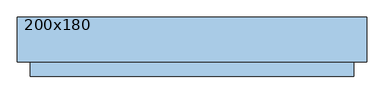
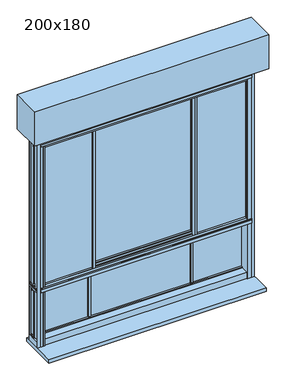
"""IFC4 building model written with IfcOpenShell, lengths in millimetres: window geometry, 200x180."""

from ifc_helpers import new_model, si_unit, frame, origin, place, context, project, spatial, polyline, outline, extrude, faceted_brep, source, transform, mapped, element, save


def window_200x180_d10d0896(model_context):
    return source(origin(), model_context, "Body", "SolidModel", [
        extrude(outline(polyline([(1871.5, 840.7), (1775.5, 840.7), (1775.5, 866.7), (1871.5, 866.7), (1871.5, 840.7)]), holes=[polyline([(1778.5, 863.7), (1778.5, 843.7), (1868.5, 843.7), (1868.5, 863.7), (1778.5, 863.7)])]), frame((0.0, 32.25, 0.0), z_axis=(0.0, 1.0, 0.0), x_axis=(0.0, 0.0, 1.0)), (0.0, 0.0, 1.0), 10.0),
        extrude(outline(polyline([(1871.5, -788.3), (1871.5, -814.3), (1775.5, -814.3), (1775.5, -788.3), (1871.5, -788.3)]), holes=[polyline([(1778.5, -811.3), (1868.5, -811.3), (1868.5, -791.3), (1778.5, -791.3), (1778.5, -811.3)])]), frame((0.0, 32.65, 0.0), z_axis=(0.0, 1.0, 0.0), x_axis=(0.0, 0.0, 1.0)), (0.0, 0.0, 1.0), 10.0),
        extrude(outline(polyline([(996.2, -93.75), (-943.8, -93.75), (-943.8, 156.25), (996.2, 156.25), (996.2, -93.75)])), frame((0.0, 0.0, 2523.5), z_axis=(0.0, 0.0, 1.0), x_axis=(1.0, 0.0, 0.0)), (0.0, 0.0, 1.0), 300.0),
        extrude(outline(polyline([(-396.8, 87.45), (-388.3, 87.45), (-388.3, 81.05), (-408.3, 81.05), (-408.3, 87.45), (-399.8, 87.45), (-399.8, 96.25), (-396.8, 96.25), (-396.8, 87.45)])), frame((0.0, 0.0, 729.0), z_axis=(0.0, 0.0, 1.0), x_axis=(1.0, 0.0, 0.0)), (0.0, 0.0, 1.0), 444.5),
        extrude(outline(polyline([(-408.3, 69.05), (-408.3, 75.05), (-388.3, 75.05), (-388.3, 69.05), (-408.3, 69.05)])), frame((0.0, 0.0, 729.0), z_axis=(0.0, 0.0, 1.0), x_axis=(1.0, 0.0, 0.0)), (0.0, 0.0, 1.0), 444.5),
        extrude(outline(polyline([(449.2, 87.45), (449.2, 96.25), (452.2, 96.25), (452.2, 87.45), (460.7, 87.45), (460.7, 81.05), (440.7, 81.05), (440.7, 87.45), (449.2, 87.45)])), frame((0.0, 0.0, 729.0), z_axis=(0.0, 0.0, 1.0), x_axis=(1.0, 0.0, 0.0)), (0.0, 0.0, 1.0), 444.5),
        extrude(outline(polyline([(460.7, 69.05), (440.7, 69.05), (440.7, 75.05), (460.7, 75.05), (460.7, 69.05)])), frame((0.0, 0.0, 729.0), z_axis=(0.0, 0.0, 1.0), x_axis=(1.0, 0.0, 0.0)), (0.0, 0.0, 1.0), 444.5),
        extrude(outline(polyline([(-823.7, 20.25), (-823.7, 26.25), (-397.3, 26.25), (-397.3, 20.25), (-823.7, 20.25)])), frame((0.0, 0.0, 1194.65), z_axis=(0.0, 0.0, 1.0), x_axis=(1.0, 0.0, 0.0)), (0.0, 0.0, 1.0), 1228.75),
        extrude(outline(polyline([(876.1, 20.25), (450.7, 20.25), (450.7, 26.25), (876.1, 26.25), (876.1, 20.25)])), frame((0.0, 0.0, 1194.65), z_axis=(0.0, 0.0, 1.0), x_axis=(1.0, 0.0, 0.0)), (0.0, 0.0, 1.0), 1228.75),
        extrude(outline(polyline([(450.7, 75.05), (-398.3, 75.05), (-398.3, 81.05), (450.7, 81.05), (450.7, 75.05)])), frame((0.0, 0.0, 1194.65), z_axis=(0.0, 0.0, 1.0), x_axis=(1.0, 0.0, 0.0)), (0.0, 0.0, 1.0), 1228.75),
        faceted_brep([(-389.3, 2.65, 1173.5), (-407.3, 2.65, 1173.5), (-407.3, 14.25, 1173.5), (-397.0748111, 14.25, 1173.5), (-397.0748111, 32.25, 1173.5), (-407.3, 32.25, 1173.5), (-407.3, 43.85, 1173.5), (-393.1031371, 43.85, 1173.5), (-393.1031371, 50.1440374, 1173.5), (-396.4081362, 50.1440374, 1173.5), (-400.6157826, 51.5636227, 1173.5), (-400.6157826, 53.95, 1173.5), (-391.3266098, 53.95, 1173.5), (-391.3266098, 43.85, 1173.5), (-389.3, 43.85, 1173.5), (-389.3, 2.65, 2443.9), (-389.3, 43.85, 2443.9), (-391.3266098, 43.85, 2443.9), (-391.3266098, 53.95, 2443.9), (-400.6157826, 53.95, 2443.9), (-400.6157826, 51.5636227, 2443.9), (-396.4081362, 50.1440374, 2443.9), (-393.1031371, 50.1440374, 2443.9), (-393.1031371, 43.85, 2443.9), (-407.3, 43.85, 2443.9), (-407.3, 33.8999999, 2443.9), (-844.2, 33.8999999, 2443.9), (-844.2, 12.6000001, 2443.9), (-407.3, 12.6000001, 2443.9), (-407.3, 2.65, 2443.9), (-397.0748111, 14.25, 2443.9), (-398.3, 14.25, 2443.9), (-398.3, 32.25, 2443.9), (-397.0748111, 32.25, 2443.9), (-407.3, 2.65, 2431.9), (-832.2, 2.65, 2431.9), (-832.2, 2.65, 1185.9300791), (-407.3, 2.65, 1185.9300791), (-814.3, 2.65, 2414.0), (-407.3, 2.65, 2414.0), (-407.3, 2.65, 1203.8300791), (-814.3, 2.65, 1203.8300791), (-407.3, 6.95, 1185.9300791), (-407.3, 6.95, 1183.7300791), (-407.3, 12.6000001, 1183.7300791), (-407.3, 12.6000001, 1173.9300791), (-407.3, 14.25, 1173.9300791), (-407.3, 12.6000001, 2434.1), (-407.3, 6.95, 2434.1), (-407.3, 6.95, 2431.9), (-407.3, 14.25, 2414.0), (-407.3, 14.25, 1203.8300791), (-398.3, 14.25, 1173.9300791), (-398.3, 14.25, 1203.8300791), (-398.3, 14.25, 2414.0), (-398.3, 32.25, 2414.0), (-407.3, 32.25, 2414.0), (-407.3, 32.25, 1203.8300791), (-398.3, 32.25, 1203.8300791), (-398.3, 32.25, 1173.9300791), (-407.3, 32.25, 1173.9300791), (-407.3, 33.8999999, 1173.9300791), (-407.3, 33.8999999, 1183.7300791), (-407.3, 39.55, 1183.7300791), (-407.3, 39.55, 1185.9300791), (-407.3, 43.85, 1185.9300791), (-407.3, 43.85, 2431.9), (-407.3, 39.55, 2431.9), (-407.3, 39.55, 2434.1), (-407.3, 33.8999999, 2434.1), (-407.3, 43.85, 2414.0), (-407.3, 43.85, 1203.8300791), (-398.3, 20.25, 1203.8300791), (-398.3, 26.25, 1203.8300791), (-398.3, 26.25, 1194.4300791), (-398.3, 20.25, 1194.4300791), (-814.3, 20.25, 1203.8300791), (-823.7, 20.25, 1194.4300791), (-823.7, 20.25, 2423.4), (-398.3, 20.25, 2423.4), (-398.3, 20.25, 2414.0), (-814.3, 20.25, 2414.0), (-823.7, 26.25, 1194.4300791), (-814.3, 26.25, 1203.8300791), (-814.3, 26.25, 2414.0), (-398.3, 26.25, 2414.0), (-398.3, 26.25, 2423.4), (-823.7, 26.25, 2423.4), (-814.3, 43.85, 1203.8300791), (-832.2, 43.85, 1185.9300791), (-832.2, 39.55, 1185.9300791), (-834.4, 39.55, 1183.7300791), (-834.4, 39.55, 2434.1), (-832.2, 39.55, 2431.9), (-834.4, 33.8999999, 1183.7300791), (-844.2, 33.8999999, 1173.9300791), (-834.4, 33.8999999, 2434.1), (-844.2, 12.6000001, 1173.9300791), (-834.4, 12.6000001, 1183.7300791), (-834.4, 12.6000001, 2434.1), (-834.4, 6.95, 1183.7300791), (-832.2, 6.95, 1185.9300791), (-832.2, 6.95, 2431.9), (-834.4, 6.95, 2434.1), (-814.3, 43.85, 2414.0), (-832.2, 43.85, 2431.9)], [[[0, 1, 2, 3, 4, 5, 6, 7, 8, 9, 10, 11, 12, 13, 14]], [[15, 16, 17, 18, 19, 20, 21, 22, 23, 24, 25, 26, 27, 28, 29], [30, 31, 32, 33]], [[0, 15, 29, 34, 35, 36, 37, 1], [38, 39, 40, 41]], [[1, 37, 42, 43, 44, 45, 46, 2]], [[28, 47, 48, 49, 34, 29]], [[39, 50, 51, 40]], [[2, 46, 52, 53, 51, 50, 54, 31, 30, 3]], [[3, 30, 33, 4]], [[4, 33, 32, 55, 56, 57, 58, 59, 60, 5]], [[5, 60, 61, 62, 63, 64, 65, 6]], [[24, 66, 67, 68, 69, 25]], [[56, 70, 71, 57]], [[13, 17, 16, 14]], [[72, 53, 52, 59, 58, 73, 74, 75]], [[41, 40, 51, 53, 72, 76]], [[75, 77, 78, 79, 80, 81, 76, 72]], [[74, 82, 77, 75]], [[73, 83, 84, 85, 86, 87, 82, 74]], [[73, 58, 57, 71, 88, 83]], [[89, 65, 64, 90]], [[90, 64, 63, 91, 92, 68, 67, 93]], [[91, 63, 62, 94]], [[94, 62, 61, 95, 26, 25, 69, 96]], [[95, 61, 60, 59, 52, 46, 45, 97]], [[97, 45, 44, 98, 99, 47, 28, 27]], [[98, 44, 43, 100]], [[100, 43, 42, 101, 102, 49, 48, 103]], [[101, 42, 37, 36]], [[41, 76, 81, 38]], [[77, 82, 87, 78]], [[83, 88, 104, 84]], [[89, 90, 93, 105]], [[91, 94, 96, 92]], [[95, 97, 27, 26]], [[98, 100, 103, 99]], [[35, 102, 101, 36]], [[79, 86, 85, 55, 32, 31, 54, 80]], [[80, 54, 50, 39, 38, 81]], [[78, 87, 86, 79]], [[84, 104, 70, 56, 55, 85]], [[93, 67, 66, 105]], [[96, 69, 68, 92]], [[103, 48, 47, 99]], [[35, 34, 49, 102]], [[14, 16, 15, 0]], [[12, 18, 17, 13]], [[11, 19, 18, 12]], [[10, 20, 19, 11]], [[9, 21, 20, 10]], [[8, 22, 21, 9]], [[7, 23, 22, 8]], [[6, 65, 89, 105, 66, 24, 23, 7], [88, 71, 70, 104]]]),
        faceted_brep([(-407.3, 98.65, 1173.5), (-389.3, 98.65, 1173.5), (-389.3, 87.05, 1173.5), (-399.6733902, 87.05, 1173.5), (-399.6733902, 69.05, 1173.5), (-389.3, 69.05, 1173.5), (-389.3, 57.45, 1173.5), (-403.5817343, 57.45, 1173.5), (-403.5817343, 51.1559626, 1173.5), (-400.1918638, 51.1559626, 1173.5), (-395.9842174, 49.7071538, 1173.5), (-395.9842174, 47.35, 1173.5), (-405.3582616, 47.35, 1173.5), (-405.3582616, 57.45, 1173.5), (-407.3, 57.45, 1173.5), (-407.3, 98.65, 2443.9), (-407.3, 57.45, 2443.9), (-405.3582616, 57.45, 2443.9), (-405.3582616, 47.35, 2443.9), (-395.9842174, 47.35, 2443.9), (-395.9842174, 49.7071538, 2443.9), (-400.1918638, 51.1559626, 2443.9), (-403.5817343, 51.1559626, 2443.9), (-403.5817343, 57.45, 2443.9), (-389.3, 57.45, 2443.9), (-389.3, 69.05, 2443.9), (-399.6733902, 69.05, 2443.9), (-399.6733902, 87.05, 2443.9), (-389.3, 87.05, 2443.9), (-389.3, 98.65, 2443.9)], [[[0, 1, 2, 3, 4, 5, 6, 7, 8, 9, 10, 11, 12, 13, 14]], [[15, 16, 17, 18, 19, 20, 21, 22, 23, 24, 25, 26, 27, 28, 29]], [[0, 15, 29, 1]], [[1, 29, 28, 2]], [[2, 28, 27, 3]], [[3, 27, 26, 4]], [[4, 26, 25, 5]], [[7, 23, 22, 8]], [[8, 22, 21, 9]], [[9, 21, 20, 10]], [[10, 20, 19, 11]], [[11, 19, 18, 12]], [[12, 18, 17, 13]], [[13, 17, 16, 14]], [[14, 16, 15, 0]], [[6, 24, 23, 7]], [[5, 25, 24, 6]]]),
        faceted_brep([(441.7, 2.65, 1173.5), (441.7, 43.85, 1173.5), (443.7266098, 43.85, 1173.5), (443.7266098, 53.95, 1173.5), (453.0157826, 53.95, 1173.5), (453.0157826, 51.5636227, 1173.5), (448.8081362, 50.1440374, 1173.5), (445.5031371, 50.1440374, 1173.5), (445.5031371, 43.85, 1173.5), (459.7, 43.85, 1173.5), (459.7, 32.25, 1173.5), (449.4748111, 32.25, 1173.5), (449.4748111, 14.25, 1173.5), (459.7, 14.25, 1173.5), (459.7, 2.65, 1173.5), (441.7, 2.65, 2443.9), (459.7, 2.65, 2443.9), (459.7, 12.6000001, 2443.9), (896.6, 12.6000001, 2443.9), (896.6, 33.8999999, 2443.9), (459.7, 33.8999999, 2443.9), (459.7, 43.85, 2443.9), (445.5031371, 43.85, 2443.9), (445.5031371, 50.1440374, 2443.9), (448.8081362, 50.1440374, 2443.9), (453.0157826, 51.5636227, 2443.9), (453.0157826, 53.95, 2443.9), (443.7266098, 53.95, 2443.9), (443.7266098, 43.85, 2443.9), (441.7, 43.85, 2443.9), (449.4748111, 14.25, 2443.9), (449.4748111, 32.25, 2443.9), (450.7, 32.25, 2443.9), (450.7, 14.25, 2443.9), (450.7, 26.25, 1203.8300791), (450.7, 32.25, 1203.8300791), (450.7, 32.25, 1173.9300791), (450.7, 14.25, 1173.9300791), (450.7, 14.25, 1203.8300791), (450.7, 20.25, 1203.8300791), (450.7, 20.25, 1194.4300791), (450.7, 26.25, 1194.4300791), (450.7, 20.25, 2414.0), (450.7, 14.25, 2414.0), (450.7, 32.25, 2414.0), (450.7, 26.25, 2414.0), (450.7, 26.25, 2423.4), (450.7, 20.25, 2423.4), (866.7, 43.85, 1203.8300791), (459.7, 43.85, 1203.8300791), (459.7, 32.25, 1203.8300791), (866.7, 26.25, 1203.8300791), (876.1, 26.25, 1194.4300791), (876.1, 26.25, 2423.4), (866.7, 26.25, 2414.0), (876.1, 20.25, 1194.4300791), (866.7, 20.25, 1203.8300791), (866.7, 20.25, 2414.0), (876.1, 20.25, 2423.4), (459.7, 14.25, 1203.8300791), (459.7, 2.65, 1203.8300791), (866.7, 2.65, 1203.8300791), (884.6, 2.65, 1185.9300791), (459.7, 2.65, 1185.9300791), (459.7, 6.95, 1185.9300791), (884.6, 6.95, 1185.9300791), (459.7, 6.95, 1183.7300791), (886.8, 6.95, 1183.7300791), (886.8, 6.95, 2434.1), (459.7, 6.95, 2434.1), (459.7, 6.95, 2431.9), (884.6, 6.95, 2431.9), (459.7, 12.6000001, 1183.7300791), (886.8, 12.6000001, 1183.7300791), (459.7, 12.6000001, 1173.9300791), (896.6, 12.6000001, 1173.9300791), (459.7, 12.6000001, 2434.1), (886.8, 12.6000001, 2434.1), (459.7, 14.25, 1173.9300791), (459.7, 32.25, 1173.9300791), (459.7, 33.8999999, 1173.9300791), (896.6, 33.8999999, 1173.9300791), (459.7, 33.8999999, 1183.7300791), (886.8, 33.8999999, 1183.7300791), (886.8, 33.8999999, 2434.1), (459.7, 33.8999999, 2434.1), (459.7, 39.55, 1183.7300791), (886.8, 39.55, 1183.7300791), (459.7, 39.55, 1185.9300791), (884.6, 39.55, 1185.9300791), (884.6, 39.55, 2431.9), (459.7, 39.55, 2431.9), (459.7, 39.55, 2434.1), (886.8, 39.55, 2434.1), (459.7, 43.85, 1185.9300791), (884.6, 43.85, 1185.9300791), (866.7, 43.85, 2414.0), (866.7, 2.65, 2414.0), (884.6, 2.65, 2431.9), (884.6, 43.85, 2431.9), (459.7, 32.25, 2414.0), (459.7, 43.85, 2414.0), (459.7, 2.65, 2414.0), (459.7, 14.25, 2414.0), (459.7, 2.65, 2431.9), (459.7, 43.85, 2431.9)], [[[0, 1, 2, 3, 4, 5, 6, 7, 8, 9, 10, 11, 12, 13, 14]], [[15, 16, 17, 18, 19, 20, 21, 22, 23, 24, 25, 26, 27, 28, 29], [30, 31, 32, 33]], [[34, 35, 36, 37, 38, 39, 40, 41]], [[42, 43, 33, 32, 44, 45, 46, 47]], [[48, 49, 50, 35, 34, 51]], [[41, 52, 53, 46, 45, 54, 51, 34]], [[40, 55, 52, 41]], [[39, 56, 57, 42, 47, 58, 55, 40]], [[39, 38, 59, 60, 61, 56]], [[62, 63, 64, 65]], [[65, 64, 66, 67, 68, 69, 70, 71]], [[67, 66, 72, 73]], [[73, 72, 74, 75, 18, 17, 76, 77]], [[75, 74, 78, 37, 36, 79, 80, 81]], [[81, 80, 82, 83, 84, 85, 20, 19]], [[83, 82, 86, 87]], [[87, 86, 88, 89, 90, 91, 92, 93]], [[89, 88, 94, 95]], [[48, 51, 54, 96]], [[52, 55, 58, 53]], [[56, 61, 97, 57]], [[62, 65, 71, 98]], [[67, 73, 77, 68]], [[75, 81, 19, 18]], [[83, 87, 93, 84]], [[99, 90, 89, 95]], [[45, 44, 100, 101, 96, 54]], [[46, 53, 58, 47]], [[57, 97, 102, 103, 43, 42]], [[71, 70, 104, 98]], [[77, 76, 69, 68]], [[93, 92, 85, 84]], [[99, 105, 91, 90]], [[14, 63, 62, 98, 104, 16, 15, 0], [102, 97, 61, 60]], [[60, 59, 103, 102]], [[16, 104, 70, 69, 76, 17]], [[13, 78, 74, 72, 66, 64, 63, 14]], [[12, 30, 33, 43, 103, 59, 38, 37, 78, 13]], [[11, 31, 30, 12]], [[10, 79, 36, 35, 50, 100, 44, 32, 31, 11]], [[50, 49, 101, 100]], [[20, 85, 92, 91, 105, 21]], [[9, 94, 88, 86, 82, 80, 79, 10]], [[8, 22, 21, 105, 99, 95, 94, 9], [49, 48, 96, 101]], [[7, 23, 22, 8]], [[6, 24, 23, 7]], [[5, 25, 24, 6]], [[4, 26, 25, 5]], [[3, 27, 26, 4]], [[2, 28, 27, 3]], [[1, 29, 28, 2]], [[0, 15, 29, 1]]]),
        faceted_brep([(459.7, 98.65, 1173.5), (459.7, 57.45, 1173.5), (457.7582616, 57.45, 1173.5), (457.7582616, 47.35, 1173.5), (448.3842174, 47.35, 1173.5), (448.3842174, 49.7071538, 1173.5), (452.5918638, 51.1559626, 1173.5), (455.9817343, 51.1559626, 1173.5), (455.9817343, 57.45, 1173.5), (441.7, 57.45, 1173.5), (441.7, 69.05, 1173.5), (452.0733902, 69.05, 1173.5), (452.0733902, 87.05, 1173.5), (441.7, 87.05, 1173.5), (441.7, 98.65, 1173.5), (459.7, 98.65, 2443.9), (441.7, 98.65, 2443.9), (441.7, 87.05, 2443.9), (452.0733902, 87.05, 2443.9), (452.0733902, 69.05, 2443.9), (441.7, 69.05, 2443.9), (441.7, 57.45, 2443.9), (455.9817343, 57.45, 2443.9), (455.9817343, 51.1559626, 2443.9), (452.5918638, 51.1559626, 2443.9), (448.3842174, 49.7071538, 2443.9), (448.3842174, 47.35, 2443.9), (457.7582616, 47.35, 2443.9), (457.7582616, 57.45, 2443.9), (459.7, 57.45, 2443.9)], [[[0, 1, 2, 3, 4, 5, 6, 7, 8, 9, 10, 11, 12, 13, 14]], [[15, 16, 17, 18, 19, 20, 21, 22, 23, 24, 25, 26, 27, 28, 29]], [[14, 16, 15, 0]], [[13, 17, 16, 14]], [[12, 18, 17, 13]], [[11, 19, 18, 12]], [[10, 20, 19, 11]], [[9, 21, 20, 10]], [[8, 22, 21, 9]], [[7, 23, 22, 8]], [[6, 24, 23, 7]], [[5, 25, 24, 6]], [[4, 26, 25, 5]], [[3, 27, 26, 4]], [[2, 28, 27, 3]], [[1, 29, 28, 2]], [[0, 15, 29, 1]]]),
        extrude(outline(polyline([(-19.55, 2456.5), (-4.95, 2456.5), (-4.95, 2455.0), (-17.55, 2455.0), (-17.55, 2437.5), (-19.55, 2437.5), (-19.55, 2456.5)])), frame((-846.45, 0.0, 0.0), z_axis=(1.0, 0.0, 0.0), x_axis=(0.0, 1.0, 0.0)), (0.0, 0.0, 1.0), 1745.3),
        extrude(outline(polyline([(-19.55, 1160.0), (-19.55, 1186.0), (-16.65, 1186.0), (-16.05, 1186.6), (-19.55, 1186.6), (-19.55, 1197.7), (-17.55, 1197.7), (-17.55, 1188.1), (-13.95, 1188.1), (-13.95, 1185.7), (-4.95, 1185.7), (-4.95, 1181.2), (-18.35, 1181.2), (-18.35, 1160.0), (-19.55, 1160.0)])), frame((-846.45, 0.0, 0.0), z_axis=(1.0, 0.0, 0.0), x_axis=(0.0, 1.0, 0.0)), (0.0, 0.0, 1.0), 1745.3),
        extrude(outline(polyline([(57.45, 2431.9), (61.75, 2431.9), (61.75, 2434.1), (67.4000001, 2434.1), (67.4000001, 2443.9), (88.6999999, 2443.9), (88.6999999, 2434.1), (94.35, 2434.1), (94.35, 2431.9), (98.65, 2431.9), (98.65, 2414.0), (81.05, 2414.0), (81.05, 2423.4), (75.05, 2423.4), (75.05, 2414.0), (57.45, 2414.0), (57.45, 2431.9)])), frame((-398.3, 0.0, 0.0), z_axis=(1.0, 0.0, 0.0), x_axis=(0.0, 1.0, 0.0)), (0.0, 0.0, 1.0), 849.0),
        extrude(outline(polyline([(57.45, 1186.15), (57.45, 1204.05), (75.05, 1204.05), (75.05, 1194.65), (81.05, 1194.65), (81.05, 1204.05), (98.65, 1204.05), (98.65, 1186.15), (94.35, 1186.15), (94.35, 1183.95), (88.6999999, 1183.95), (88.6999999, 1174.15), (67.4000001, 1174.15), (67.4000001, 1183.95), (61.75, 1183.95), (61.75, 1186.15), (57.45, 1186.15)])), frame((-398.3, 0.0, 0.0), z_axis=(1.0, 0.0, 0.0), x_axis=(0.0, 1.0, 0.0)), (0.0, 0.0, 1.0), 849.0),
        extrude(outline(polyline([(926.2, -173.75), (-873.8, -173.75), (-873.8, 143.25), (926.2, 143.25), (926.2, -173.75)])), frame((0.0, 0.0, 643.5), z_axis=(0.0, 0.0, 1.0), x_axis=(1.0, 0.0, 0.0)), (0.0, 0.0, 1.0), 30.0),
        faceted_brep([(865.85, 106.25, 729.0), (865.85, 106.25, 2412.0), (865.85, 126.4, 2412.0), (865.85, 126.4, 729.0), (916.5502862, 110.5, 678.2997138), (916.5502862, 110.5, 2462.7002862), (916.5502862, 106.25, 2462.7002862), (916.5502862, 106.25, 678.2997138), (921.35, 114.1, 673.5), (921.35, 114.1, 2467.5), (921.35, 110.5, 2467.5), (921.35, 110.5, 673.5), (886.35, 117.0431112, 708.5), (886.35, 117.0431112, 2432.5), (886.35, 114.1, 2432.5), (886.35, 114.1, 708.5), (886.95, 117.9, 707.9), (886.95, 117.9, 2433.1), (886.95, 126.4, 707.9), (886.95, 126.4, 2433.1), (-813.45, 106.25, 2412.0), (-813.45, 126.4, 2412.0), (-864.1502862, 110.5, 2462.7002862), (-864.1502862, 106.25, 2462.7002862), (-868.95, 114.1, 2467.5), (-868.95, 110.5, 2467.5), (-833.95, 117.0431112, 2432.5), (-833.95, 114.1, 2432.5), (-834.55, 117.9, 2433.1), (-834.55, 126.4, 2433.1), (-813.45, 106.25, 729.0), (-813.45, 126.4, 729.0), (-864.1502862, 110.5, 678.2997138), (-864.1502862, 106.25, 678.2997138), (-868.95, 114.1, 673.5), (-868.95, 110.5, 673.5), (-833.95, 117.0431112, 708.5), (-833.95, 114.1, 708.5), (-834.55, 117.9, 707.9), (-834.55, 126.4, 707.9)], [[[0, 1, 2, 3]], [[4, 5, 6, 7]], [[8, 9, 10, 11]], [[12, 13, 14, 15]], [[16, 17, 13, 12]], [[18, 19, 17, 16]], [[1, 20, 21, 2]], [[5, 22, 23, 6]], [[9, 24, 25, 10]], [[13, 26, 27, 14]], [[17, 28, 26, 13]], [[19, 29, 28, 17]], [[20, 30, 31, 21]], [[22, 32, 33, 23]], [[24, 34, 35, 25]], [[26, 36, 37, 27]], [[28, 38, 36, 26]], [[29, 39, 38, 28]], [[19, 18, 39, 29], [3, 2, 21, 31]], [[30, 0, 3, 31]], [[7, 6, 23, 33], [1, 0, 30, 20]], [[32, 4, 7, 33]], [[11, 10, 25, 35], [5, 4, 32, 22]], [[34, 8, 11, 35]], [[9, 8, 34, 24], [15, 14, 27, 37]], [[36, 12, 15, 37]], [[38, 16, 12, 36]], [[39, 18, 16, 38]]]),
        faceted_brep([(913.35, -5.3, 2473.5), (913.35, -5.3, 673.5), (877.05, -5.3, 673.5), (877.05, -5.3, 2473.5), (877.05, 49.9, 2455.0), (877.05, 47.35, 2455.0), (877.05, 47.35, 2424.7), (877.05, 49.9, 2424.7), (877.05, 49.9, 2412.0), (877.05, 47.35, 2412.0), (877.05, 47.35, 1206.05), (877.05, 49.9, 1206.05), (877.05, -0.85, 2455.0), (877.05, -3.45, 2455.0), (877.05, -3.45, 2426.5), (877.05, -0.85, 2426.5), (877.05, 29.65, 673.5), (877.05, 29.65, 677.75), (877.05, -4.95, 677.75), (877.05, -4.95, 728.8026988), (877.05, 49.9, 728.8026988), (877.05, 49.9, 1150.55), (877.05, -4.95, 1150.55), (877.05, -4.95, 1206.05), (877.05, -0.85, 1206.05), (877.05, -0.85, 2412.0), (877.05, -4.95, 2412.0), (877.05, -4.95, 2473.5), (877.05, 4.3, 1173.5), (877.05, 4.3, 1169.65), (877.05, 21.0, 1169.65), (877.05, 21.0, 1173.5), (877.05, 25.5, 1173.5), (877.05, 25.5, 1169.65), (877.05, 42.2, 1169.65), (877.05, 42.2, 1173.5), (-873.8, 108.1, 2473.5), (-873.8, -6.8, 2473.5), (-846.5952323, -6.8, 2473.5), (-813.45, -6.8, 2473.5), (-813.45, -4.95, 2473.5), (865.85, -4.95, 2473.5), (865.85, -6.8, 2473.5), (898.9952323, -6.8, 2473.5), (926.2, -6.8, 2473.5), (926.2, 108.1, 2473.5), (865.85, 108.1, 2473.5), (865.85, 106.25, 2473.5), (-813.45, 106.25, 2473.5), (-813.45, 108.1, 2473.5), (913.35, -4.95, 2473.5), (-860.95, -5.3, 2473.5), (-860.95, -4.95, 2473.5), (-824.65, -4.95, 2473.5), (-824.65, -5.3, 2473.5), (913.35, -4.95, 2412.0), (-860.95, -4.95, 2412.0), (-824.65, -4.95, 2412.0), (-813.45, -4.95, 2412.0), (865.85, -4.95, 2412.0), (913.35, -0.85, 2412.0), (865.85, -0.85, 2412.0), (-813.45, -0.85, 2412.0), (-860.95, -0.85, 2412.0), (-824.65, -0.85, 2412.0), (913.35, -0.85, 1206.05), (913.35, -0.85, 1188.85), (-860.95, -0.85, 1188.85), (-860.95, -0.85, 1206.05), (-824.65, -0.85, 1206.05), (-860.95, -0.85, 2426.5), (-824.65, -0.85, 2426.5), (-824.65, -0.85, 2455.0), (-813.45, -0.85, 2455.0), (-813.45, -0.85, 2426.5), (865.85, -0.85, 2426.5), (865.85, -0.85, 2455.0), (913.35, -0.85, 2426.5), (-813.45, -0.85, 1206.05), (865.85, -0.85, 1206.05), (913.35, 49.9, 2424.7), (913.35, 49.9, 2455.0), (913.35, 49.9, 1206.05), (913.35, 49.9, 2412.0), (913.35, 49.9, 728.8026988), (913.35, 49.9, 1150.55), (-873.8, 47.35, 2424.7), (-862.75, 47.35, 2424.7), (-862.75, 49.9, 2424.7), (-873.8, 49.9, 2424.7), (865.85, 47.35, 2424.7), (865.85, 49.9, 2424.7), (-813.45, 49.9, 2424.7), (-813.45, 47.35, 2424.7), (-824.65, 47.35, 2424.7), (-824.65, 49.9, 2424.7), (-860.95, 49.9, 2424.7), (-860.95, 47.35, 2424.7), (913.35, 47.35, 2424.7), (915.15, 49.9, 2424.7), (915.15, 47.35, 2424.7), (926.2, 47.35, 2424.7), (926.2, 49.9, 2424.7), (915.15, 47.35, 2412.0), (926.2, 47.35, 2412.0), (-873.8, 47.35, 2412.0), (-862.75, 47.35, 2412.0), (926.2, 47.35, 1206.05), (915.15, 47.35, 1206.05), (915.15, 47.35, 1188.85), (926.2, 47.35, 1188.85), (-873.8, 47.35, 1188.85), (-862.75, 47.35, 1188.85), (-862.75, 47.35, 1206.05), (-873.8, 47.35, 1206.05), (-860.95, 47.35, 1188.85), (913.35, 47.35, 1188.85), (913.35, 47.35, 1206.05), (913.35, 47.35, 2412.0), (865.85, 47.35, 2455.0), (-813.45, 47.35, 2455.0), (-824.65, 47.35, 2455.0), (-860.95, 47.35, 2412.0), (-824.65, 47.35, 2412.0), (-824.65, 47.35, 1206.05), (-860.95, 47.35, 1206.05), (-813.45, 47.35, 1206.05), (-813.45, 47.35, 2412.0), (865.85, 47.35, 2412.0), (865.85, 47.35, 1206.05), (865.85, 49.9, 2455.0), (913.35, 22.7303848, 2455.0), (913.35, -3.45, 2455.0), (865.85, -3.45, 2455.0), (-813.45, -3.45, 2455.0), (-824.65, -3.45, 2455.0), (-860.95, -3.45, 2455.0), (-860.95, 22.7303848, 2455.0), (-860.95, 49.9, 2455.0), (-824.65, 49.9, 2455.0), (-813.45, 49.9, 2455.0), (-862.75, 49.9, 2455.0), (-862.75, -0.5850342, 2455.0), (-873.8, -0.5850342, 2455.0), (-873.8, 49.9, 2455.0), (926.2, 49.9, 2455.0), (926.2, -0.5850342, 2455.0), (915.15, -0.5850342, 2455.0), (915.15, 49.9, 2455.0), (915.15, 49.9, 2412.0), (921.428222, 49.9, 2412.0), (921.428222, 51.425037, 2412.0), (915.15, 51.425037, 2412.0), (915.15, 53.95, 2412.0), (926.2, 53.95, 2412.0), (-873.8, 53.95, 2412.0), (-862.75, 53.95, 2412.0), (-862.75, 51.425037, 2412.0), (-869.028222, 51.425037, 2412.0), (-869.028222, 49.9, 2412.0), (-862.75, 49.9, 2412.0), (-813.45, 53.95, 2412.0), (865.85, 53.95, 2412.0), (-860.95, 49.9, 2412.0), (-824.65, 49.9, 2412.0), (-813.45, -3.45, 2426.5), (865.85, -3.45, 2426.5), (-824.65, -3.45, 2426.5), (-860.95, -3.45, 2426.5), (913.35, -3.45, 2426.5), (926.2, 108.1, 673.5), (865.85, 108.1, 673.5), (865.85, 106.25, 673.5), (865.85, 106.25, 728.8026988), (865.85, 90.05, 728.8026988), (865.85, 90.05, 738.4026988), (865.85, 81.05, 738.4026988), (865.85, 81.05, 729.8026988), (865.85, 75.05, 729.8026988), (865.85, 75.05, 738.4026988), (865.85, 61.75, 738.4026988), (865.85, 61.75, 728.8026988), (865.85, -4.95, 728.8026988), (865.85, -4.95, 677.75), (865.85, 29.65, 677.75), (865.85, 29.65, 673.5), (865.85, -6.8, 673.5), (865.85, -4.95, 1206.05), (865.85, -4.95, 1150.55), (865.85, 61.7500001, 1150.55), (865.85, 61.7500001, 1140.95), (865.85, 75.0500001, 1140.95), (865.85, 75.0500001, 1149.55), (865.85, 81.0500001, 1149.55), (865.85, 81.0500001, 1140.95), (865.85, 90.0500001, 1140.95), (865.85, 90.0500001, 1150.55), (865.85, 106.25, 1150.55), (865.85, 106.25, 1206.05), (865.85, 102.15, 1206.05), (865.85, 102.15, 1194.85), (865.85, 104.75, 1194.85), (865.85, 104.75, 1188.85), (865.85, 101.205881, 1188.85), (865.85, 99.75, 1184.85), (865.85, 97.0, 1184.85), (865.85, 97.0, 1169.65), (865.85, 80.3, 1169.65), (865.85, 80.3, 1173.6231379), (865.85, 75.8, 1173.6231379), (865.85, 75.8, 1169.65), (865.85, 59.1000001, 1169.65), (865.85, 59.1000001, 1184.85), (865.85, 56.4000001, 1184.85), (865.85, 54.9441191, 1188.85), (865.85, 53.9500001, 1188.85), (865.85, 53.9500001, 1206.05), (865.85, 53.95, 2424.7), (865.85, 51.4, 2424.7), (865.85, 51.4, 2455.0), (865.85, 104.75, 2455.0), (865.85, 104.75, 2426.5), (865.85, 102.15, 2426.5), (865.85, 102.15, 2412.0), (865.85, 106.25, 2412.0), (865.85, 21.0, 1173.5), (865.85, 21.0, 1169.65), (865.85, 4.3, 1169.65), (865.85, 4.3, 1173.5), (865.85, 42.2, 1173.5), (865.85, 42.2, 1169.65), (865.85, 25.5, 1169.65), (865.85, 25.5, 1173.5), (-813.45, 106.25, 2412.0), (-813.45, 102.15, 2412.0), (-813.45, 102.15, 2426.5), (-813.45, 104.75, 2426.5), (-813.45, 104.75, 2455.0), (-813.45, 51.4, 2455.0), (-873.8, 51.4, 2455.0), (-873.8, 101.8850342, 2455.0), (-862.75, 101.8850342, 2455.0), (-862.75, 51.425037, 2455.0), (915.15, 51.425037, 2455.0), (915.15, 101.8850342, 2455.0), (926.2, 101.8850342, 2455.0), (926.2, 51.4, 2455.0), (921.428222, 51.425037, 1206.05), (915.15, 51.425037, 1206.05), (-862.75, 51.425037, 1206.05), (-869.028222, 51.425037, 1206.05), (-813.45, 51.425037, 2424.7), (926.2, 51.425037, 2424.7), (915.15, 51.425037, 2424.7), (-862.75, 51.425037, 2424.7), (-873.8, 51.425037, 2424.7), (-869.028222, 51.425037, 1150.55), (-862.75, 51.425037, 1150.55), (-862.75, 51.425037, 728.8026988), (-869.028222, 51.425037, 728.8026988), (915.15, 51.425037, 1150.55), (921.428222, 51.425037, 1150.55), (921.428222, 51.425037, 728.8026988), (915.15, 51.425037, 728.8026988), (-813.45, 53.95, 2424.7), (926.2, 53.95, 2424.7), (915.15, 53.95, 2424.7), (-862.75, 53.95, 2424.7), (-873.8, 53.95, 2424.7), (898.9952323, -6.8, 673.5), (915.15, 49.9, 1206.05), (921.428222, 49.9, 1206.05), (-869.028222, 49.9, 1206.05), (-862.75, 49.9, 1206.05), (-862.75, 49.9, 1150.55), (-869.028222, 49.9, 1150.55), (-869.028222, 49.9, 728.8026988), (-862.75, 49.9, 728.8026988), (921.428222, 49.9, 1150.55), (915.15, 49.9, 1150.55), (915.15, 49.9, 728.8026988), (921.428222, 49.9, 728.8026988), (-846.5952323, -6.8, 673.5), (-813.45, -6.8, 673.5), (-813.45, 29.65, 673.5), (-813.45, 29.65, 677.75), (-813.45, -4.95, 677.75), (-813.45, -4.95, 728.8026988), (-813.45, 61.75, 728.8026988), (-813.45, 61.75, 738.4026988), (-813.45, 75.05, 738.4026988), (-813.45, 75.05, 729.8026988), (-813.45, 81.05, 729.8026988), (-813.45, 81.05, 738.4026988), (-813.45, 90.05, 738.4026988), (-813.45, 90.05, 728.8026988), (-813.45, 106.25, 728.8026988), (-813.45, 106.25, 673.5), (-813.45, 108.1, 673.5), (-813.45, 53.9500001, 1206.05), (-813.45, 53.9500001, 1188.85), (-813.45, 54.9441191, 1188.85), (-813.45, 56.4000001, 1184.85), (-813.45, 59.1000001, 1184.85), (-813.45, 59.1000001, 1169.65), (-813.45, 75.8, 1169.65), (-813.45, 75.8, 1173.6231379), (-813.45, 80.3, 1173.6231379), (-813.45, 80.3, 1169.65), (-813.45, 97.0, 1169.65), (-813.45, 97.0, 1184.85), (-813.45, 99.75, 1184.85), (-813.45, 101.205881, 1188.85), (-813.45, 104.75, 1188.85), (-813.45, 104.75, 1194.85), (-813.45, 102.15, 1194.85), (-813.45, 102.15, 1206.05), (-813.45, 106.25, 1206.05), (-813.45, 106.25, 1150.55), (-813.45, 90.0500001, 1150.55), (-813.45, 90.0500001, 1140.95), (-813.45, 81.0500001, 1140.95), (-813.45, 81.0500001, 1149.55), (-813.45, 75.0500001, 1149.55), (-813.45, 75.0500001, 1140.95), (-813.45, 61.7500001, 1140.95), (-813.45, 61.7500001, 1150.55), (-813.45, -4.95, 1150.55), (-813.45, -4.95, 1206.05), (-813.45, 4.3, 1173.5), (-813.45, 4.3, 1169.65), (-813.45, 21.0, 1169.65), (-813.45, 21.0, 1173.5), (-813.45, 25.5, 1173.5), (-813.45, 25.5, 1169.65), (-813.45, 42.2, 1169.65), (-813.45, 42.2, 1173.5), (-873.8, 108.1, 673.5), (-824.65, -4.95, 1206.05), (-824.65, -4.95, 1150.55), (-824.65, 49.9, 1150.55), (-824.65, 49.9, 728.8026988), (-824.65, -4.95, 728.8026988), (-824.65, -4.95, 677.75), (-824.65, 29.65, 677.75), (-824.65, 29.65, 673.5), (-824.65, -5.3, 673.5), (-824.65, 49.9, 1206.05), (-824.65, 21.0, 1173.5), (-824.65, 21.0, 1169.65), (-824.65, 4.3, 1169.65), (-824.65, 4.3, 1173.5), (-824.65, 42.2, 1173.5), (-824.65, 42.2, 1169.65), (-824.65, 25.5, 1169.65), (-824.65, 25.5, 1173.5), (-860.95, -5.3, 673.5), (-860.95, 49.9, 1206.05), (-860.95, 49.9, 1150.55), (-860.95, 49.9, 728.8026988), (-860.95, 22.7303848, 673.5), (-860.95, 22.7303848, 677.75), (-860.95, -4.95, 677.75), (-860.95, -4.95, 728.8026988), (-860.95, 22.7303848, 728.8026988), (-860.95, 22.7303848, 1150.55), (-860.95, -4.95, 1150.55), (-860.95, -4.95, 1206.05), (-860.95, 0.0941191, 1188.85), (-860.95, 1.55, 1184.85), (-860.95, 4.3, 1184.85), (-860.95, 4.3, 1169.65), (-860.95, 21.0, 1169.65), (-860.95, 21.0, 1173.6231379), (-860.95, 22.7303848, 1173.6231379), (926.2, -6.8, 673.5), (926.2, -0.5850342, 673.5), (926.2, -0.5850342, 677.75), (926.2, 29.65, 677.75), (926.2, 29.65, 673.5), (926.2, 101.8850342, 1188.85), (926.2, 101.205881, 1188.85), (926.2, 99.75, 1184.85), (926.2, 97.0, 1184.85), (926.2, 97.0, 1169.65), (926.2, 80.3, 1169.65), (926.2, 80.3, 1173.6231379), (926.2, 75.8, 1173.6231379), (926.2, 75.8, 1169.65), (926.2, 59.1000001, 1169.65), (926.2, 59.1000001, 1184.85), (926.2, 56.4000001, 1184.85), (926.2, 54.9441191, 1188.85), (926.2, 53.9500001, 1188.85), (926.2, 53.9500001, 1206.05), (926.2, 46.355881, 1188.85), (926.2, 44.9, 1184.85), (926.2, 42.2, 1184.85), (926.2, 42.2, 1169.65), (926.2, 25.5, 1169.65), (926.2, 25.5, 1173.6231379), (926.2, 21.0, 1173.6231379), (926.2, 21.0, 1169.65), (926.2, 4.3, 1169.65), (926.2, 4.3, 1184.85), (926.2, 1.55, 1184.85), (926.2, 0.0941191, 1188.85), (926.2, -0.5850342, 1188.85), (926.2, 61.7500001, 1150.55), (926.2, 61.7500001, 1140.95), (926.2, 75.0500001, 1140.95), (926.2, 75.0500001, 1149.55), (926.2, 81.0500001, 1149.55), (926.2, 81.0500001, 1140.95), (926.2, 90.0500001, 1140.95), (926.2, 90.0500001, 1150.55), (926.2, 101.8850342, 1150.55), (926.2, 101.8850342, 728.8026988), (926.2, 90.05, 728.8026988), (926.2, 90.05, 738.4026988), (926.2, 81.05, 738.4026988), (926.2, 81.05, 729.8026988), (926.2, 75.05, 729.8026988), (926.2, 75.05, 738.4026988), (926.2, 61.75, 738.4026988), (926.2, 61.75, 728.8026988), (926.2, -0.5850342, 728.8026988), (926.2, -0.5850342, 1150.55), (-873.8, -6.8, 673.5), (-873.8, 29.65, 673.5), (-873.8, 29.65, 677.75), (-873.8, -0.5850342, 677.75), (-873.8, -0.5850342, 673.5), (-873.8, -0.5850342, 1188.85), (-873.8, 0.0941191, 1188.85), (-873.8, 1.55, 1184.85), (-873.8, 4.3, 1184.85), (-873.8, 4.3, 1169.65), (-873.8, 21.0, 1169.65), (-873.8, 21.0, 1173.6231379), (-873.8, 25.5, 1173.6231379), (-873.8, 25.5, 1169.65), (-873.8, 42.2, 1169.65), (-873.8, 42.2, 1184.85), (-873.8, 44.9, 1184.85), (-873.8, 46.355881, 1188.85), (-873.8, 53.9500001, 1206.05), (-873.8, 53.9500001, 1188.85), (-873.8, 54.9441191, 1188.85), (-873.8, 56.4000001, 1184.85), (-873.8, 59.1000001, 1184.85), (-873.8, 59.1000001, 1169.65), (-873.8, 75.8, 1169.65), (-873.8, 75.8, 1173.6231379), (-873.8, 80.3, 1173.6231379), (-873.8, 80.3, 1169.65), (-873.8, 97.0, 1169.65), (-873.8, 97.0, 1184.85), (-873.8, 99.75, 1184.85), (-873.8, 101.205881, 1188.85), (-873.8, 101.8850342, 1188.85), (-873.8, 90.0500001, 1150.55), (-873.8, 90.0500001, 1140.95), (-873.8, 81.0500001, 1140.95), (-873.8, 81.0500001, 1149.55), (-873.8, 75.0500001, 1149.55), (-873.8, 75.0500001, 1140.95), (-873.8, 61.7500001, 1140.95), (-873.8, 61.7500001, 1150.55), (-873.8, -0.5850342, 1150.55), (-873.8, -0.5850342, 728.8026988), (-873.8, 61.75, 728.8026988), (-873.8, 61.75, 738.4026988), (-873.8, 75.05, 738.4026988), (-873.8, 75.05, 729.8026988), (-873.8, 81.05, 729.8026988), (-873.8, 81.05, 738.4026988), (-873.8, 90.05, 738.4026988), (-873.8, 90.05, 728.8026988), (-873.8, 101.8850342, 728.8026988), (-873.8, 101.8850342, 1150.55), (913.35, 22.7303848, 1173.6231379), (913.35, 21.0, 1173.6231379), (913.35, 21.0, 1169.65), (913.35, 4.3, 1169.65), (913.35, 4.3, 1184.85), (913.35, 1.55, 1184.85), (913.35, 0.0941191, 1188.85), (913.35, -4.95, 1206.05), (913.35, -4.95, 1150.55), (913.35, 22.7303848, 1150.55), (913.35, 22.7303848, 728.8026988), (913.35, -4.95, 728.8026988), (913.35, -4.95, 677.75), (913.35, 22.7303848, 677.75), (913.35, 22.7303848, 673.5), (-862.75, 101.8850342, 1188.85), (-862.75, 101.8850342, 1150.55), (-862.75, 101.8850342, 728.8026988), (-862.75, -0.5850342, 1188.85), (-862.75, -0.5850342, 677.75), (-862.75, -0.5850342, 673.5), (-862.75, -0.5850342, 1150.55), (-862.75, -0.5850342, 728.8026988), (-862.75, 46.355881, 1188.85), (-862.75, 44.9, 1184.85), (-862.75, 42.2, 1184.85), (-862.75, 42.2, 1169.65), (-862.75, 25.5, 1169.65), (-862.75, 25.5, 1173.6231379), (-862.75, 21.0, 1173.6231379), (-862.75, 21.0, 1169.65), (-862.75, 4.3, 1169.65), (-862.75, 4.3, 1184.85), (-862.75, 1.55, 1184.85), (-862.75, 0.0941191, 1188.85), (-862.75, 29.65, 677.75), (-862.75, 29.65, 673.5), (915.15, -0.5850342, 1188.85), (915.15, 0.0941191, 1188.85), (915.15, 1.55, 1184.85), (915.15, 4.3, 1184.85), (915.15, 4.3, 1169.65), (915.15, 21.0, 1169.65), (915.15, 21.0, 1173.6231379), (915.15, 25.5, 1173.6231379), (915.15, 25.5, 1169.65), (915.15, 42.2, 1169.65), (915.15, 42.2, 1184.85), (915.15, 44.9, 1184.85), (915.15, 46.355881, 1188.85), (915.15, 29.65, 673.5), (915.15, 29.65, 677.75), (915.15, -0.5850342, 677.75), (915.15, -0.5850342, 673.5), (915.15, -0.5850342, 1150.55), (915.15, -0.5850342, 728.8026988), (915.15, 53.9500001, 1206.05), (915.15, 53.9500001, 1188.85), (915.15, 54.9441191, 1188.85), (915.15, 56.4000001, 1184.85), (915.15, 59.1000001, 1184.85), (915.15, 59.1000001, 1169.65), (915.15, 75.8, 1169.65), (915.15, 75.8, 1173.6231379), (915.15, 80.3, 1173.6231379), (915.15, 80.3, 1169.65), (915.15, 97.0, 1169.65), (915.15, 97.0, 1184.85), (915.15, 99.75, 1184.85), (915.15, 101.205881, 1188.85), (915.15, 101.8850342, 1188.85), (915.15, 101.8850342, 1150.55), (915.15, 90.0500001, 1150.55), (915.15, 90.0500001, 1140.95), (915.15, 81.0500001, 1140.95), (915.15, 81.0500001, 1149.55), (915.15, 75.0500001, 1149.55), (915.15, 75.0500001, 1140.95), (915.15, 61.7500001, 1140.95), (915.15, 61.7500001, 1150.55), (915.15, 61.75, 728.8026988), (915.15, 61.75, 738.4026988), (915.15, 75.05, 738.4026988), (915.15, 75.05, 729.8026988), (915.15, 81.05, 729.8026988), (915.15, 81.05, 738.4026988), (915.15, 90.05, 738.4026988), (915.15, 90.05, 728.8026988), (915.15, 101.8850342, 728.8026988), (-862.75, 101.205881, 1188.85), (-862.75, 99.75, 1184.85), (-862.75, 97.0, 1184.85), (-862.75, 97.0, 1169.65), (-862.75, 80.3, 1169.65), (-862.75, 80.3, 1173.6231379), (-862.75, 75.8, 1173.6231379), (-862.75, 75.8, 1169.65), (-862.75, 59.1000001, 1169.65), (-862.75, 59.1000001, 1184.85), (-862.75, 56.4000001, 1184.85), (-862.75, 54.9441191, 1188.85), (-862.75, 53.9500001, 1188.85), (-862.75, 53.9500001, 1206.05), (-862.75, 61.7500001, 1150.55), (-862.75, 61.7500001, 1140.95), (-862.75, 75.0500001, 1140.95), (-862.75, 75.0500001, 1149.55), (-862.75, 81.0500001, 1149.55), (-862.75, 81.0500001, 1140.95), (-862.75, 90.0500001, 1140.95), (-862.75, 90.0500001, 1150.55), (-862.75, 90.05, 728.8026988), (-862.75, 90.05, 738.4026988), (-862.75, 81.05, 738.4026988), (-862.75, 81.05, 729.8026988), (-862.75, 75.05, 729.8026988), (-862.75, 75.05, 738.4026988), (-862.75, 61.75, 738.4026988), (-862.75, 61.75, 728.8026988), (-860.95, 25.5, 1173.6231379), (-860.95, 25.5, 1169.65), (-860.95, 42.2, 1169.65), (-860.95, 42.2, 1184.85), (-860.95, 44.9, 1184.85), (-860.95, 46.355881, 1188.85), (-860.95, 29.65, 673.5), (-860.95, 29.65, 677.75), (913.35, 46.355881, 1188.85), (913.35, 44.9, 1184.85), (913.35, 42.2, 1184.85), (913.35, 42.2, 1169.65), (913.35, 25.5, 1169.65), (913.35, 25.5, 1173.6231379), (913.35, 29.65, 677.75), (913.35, 29.65, 673.5)], [[[0, 1, 2, 3]], [[4, 5, 6, 7]], [[8, 9, 10, 11]], [[12, 13, 14, 15]], [[2, 16, 17, 18, 19, 20, 21, 22, 23, 24, 25, 26, 27, 3]], [[28, 29, 30, 31]], [[32, 33, 34, 35]], [[36, 37, 38, 39, 40, 41, 42, 43, 44, 45, 46, 47, 48, 49], [0, 3, 27, 50], [51, 52, 53, 54]], [[27, 26, 55, 50]], [[52, 56, 57, 53]], [[40, 58, 59, 41]], [[26, 25, 60, 55]], [[61, 59, 58, 62]], [[56, 63, 64, 57]], [[65, 66, 67, 68, 69, 64, 63, 70, 71, 72, 73, 74, 75, 76, 12, 15, 77, 60, 25, 24], [62, 78, 79, 61]], [[7, 80, 81, 4]], [[11, 82, 83, 8]], [[20, 84, 85, 21]], [[86, 87, 88, 89]], [[90, 91, 92, 93]], [[94, 95, 96, 97]], [[98, 80, 7, 6]], [[99, 100, 101, 102]], [[101, 100, 103, 104]], [[105, 106, 87, 86]], [[107, 108, 109, 110]], [[111, 112, 113, 114]], [[115, 116, 117, 10, 9, 118, 98, 6, 5, 119, 90, 93, 120, 121, 94, 97, 122, 123, 124, 125], [126, 127, 128, 129]], [[130, 119, 5, 4, 81, 131, 132, 13, 12, 76, 133, 134, 73, 72, 135, 136, 137, 138, 139, 121, 120, 140]], [[141, 142, 143, 144]], [[145, 146, 147, 148]], [[9, 8, 83, 118]], [[104, 103, 149, 150, 151, 152, 153, 154]], [[155, 156, 157, 158, 159, 160, 106, 105]], [[127, 161, 162, 128]], [[122, 163, 164, 123]], [[74, 165, 166, 75]], [[167, 71, 70, 168]], [[169, 77, 15, 14]], [[133, 166, 165, 134]], [[135, 167, 168, 136]], [[132, 169, 14, 13]], [[45, 170, 171, 46]], [[119, 130, 91, 90]], [[75, 166, 133, 76]], [[171, 172, 173, 174, 175, 176, 177, 178, 179, 180, 181, 182, 183, 184, 185, 186, 42, 41, 59, 61, 79, 187, 188, 189, 190, 191, 192, 193, 194, 195, 196, 197, 198, 199, 200, 201, 202, 203, 204, 205, 206, 207, 208, 209, 210, 211, 212, 213, 214, 215, 216, 129, 128, 162, 217, 218, 219, 220, 221, 222, 223, 224, 47, 46]], [[225, 226, 227, 228]], [[229, 230, 231, 232]], [[47, 224, 233, 48]], [[224, 223, 234, 233]], [[223, 222, 235, 234]], [[222, 221, 236, 235]], [[221, 220, 237, 236]], [[220, 219, 238, 237]], [[239, 240, 241, 242]], [[243, 244, 245, 246]], [[152, 151, 247, 248]], [[158, 157, 249, 250]], [[219, 218, 251, 238]], [[252, 253, 243, 246]], [[254, 255, 239, 242]], [[256, 257, 258, 259]], [[260, 261, 262, 263]], [[218, 217, 264, 251]], [[265, 266, 253, 252]], [[254, 267, 268, 255]], [[154, 153, 266, 265]], [[217, 162, 161, 264]], [[268, 267, 156, 155]], [[42, 186, 269, 43]], [[141, 144, 89, 88]], [[145, 148, 99, 102]], [[150, 149, 270, 271]], [[160, 159, 272, 273]], [[91, 130, 140, 92]], [[274, 275, 276, 277]], [[278, 279, 280, 281]], [[38, 282, 283, 39]], [[93, 92, 140, 120]], [[73, 134, 165, 74]], [[283, 284, 285, 286, 287, 288, 289, 290, 291, 292, 293, 294, 295, 296, 297, 298, 49, 48, 233, 234, 235, 236, 237, 238, 251, 264, 161, 127, 126, 299, 300, 301, 302, 303, 304, 305, 306, 307, 308, 309, 310, 311, 312, 313, 314, 315, 316, 317, 318, 319, 320, 321, 322, 323, 324, 325, 326, 327, 328, 78, 62, 58, 40, 39]], [[329, 330, 331, 332]], [[333, 334, 335, 336]], [[49, 298, 337, 36]], [[54, 53, 57, 64, 69, 338, 339, 340, 341, 342, 343, 344, 345, 346]], [[121, 139, 95, 94]], [[123, 164, 347, 124]], [[71, 167, 135, 72]], [[348, 349, 350, 351]], [[352, 353, 354, 355]], [[54, 346, 356, 51]], [[139, 138, 96, 95]], [[164, 163, 357, 347]], [[340, 358, 359, 341]], [[360, 361, 362, 363, 364, 365, 366, 367, 68, 67, 368, 369, 370, 371, 372, 373, 374, 137, 136, 168, 70, 63, 56, 52, 51, 356]], [[44, 375, 376, 377, 378, 379, 170, 45], [145, 102, 101, 104, 154, 265, 252, 246, 245, 380, 381, 382, 383, 384, 385, 386, 387, 388, 389, 390, 391, 392, 393, 394, 107, 110, 395, 396, 397, 398, 399, 400, 401, 402, 403, 404, 405, 406, 407, 146], [408, 409, 410, 411, 412, 413, 414, 415, 416, 417, 418, 419, 420, 421, 422, 423, 424, 425, 426, 427]], [[43, 269, 375, 44]], [[37, 428, 282, 38]], [[428, 37, 36, 337, 429, 430, 431, 432], [239, 255, 268, 155, 105, 86, 89, 144, 143, 433, 434, 435, 436, 437, 438, 439, 440, 441, 442, 443, 444, 445, 111, 114, 446, 447, 448, 449, 450, 451, 452, 453, 454, 455, 456, 457, 458, 459, 460, 240], [461, 462, 463, 464, 465, 466, 467, 468, 469, 470, 471, 472, 473, 474, 475, 476, 477, 478, 479, 480]], [[1, 0, 50, 55, 60, 77, 169, 132, 131, 481, 482, 483, 484, 485, 486, 487, 66, 65, 488, 489, 490, 491, 492, 493, 494, 495]], [[241, 240, 460, 496]], [[497, 480, 479, 498]], [[143, 142, 499, 433]], [[432, 431, 500, 501]], [[469, 502, 503, 470]], [[142, 141, 88, 87, 106, 160, 273, 113, 112, 504, 505, 506, 507, 508, 509, 510, 511, 512, 513, 514, 515, 499]], [[501, 500, 516, 517]], [[502, 274, 277, 503]], [[148, 147, 518, 519, 520, 521, 522, 523, 524, 525, 526, 527, 528, 529, 530, 109, 108, 270, 149, 103, 100, 99]], [[531, 532, 533, 534]], [[279, 535, 536, 280]], [[159, 158, 250, 272]], [[275, 256, 259, 276]], [[151, 150, 271, 247]], [[261, 278, 281, 262]], [[244, 243, 253, 266, 153, 152, 248, 537, 538, 539, 540, 541, 542, 543, 544, 545, 546, 547, 548, 549, 550, 551]], [[552, 553, 554, 555, 556, 557, 558, 559, 560, 260, 263, 561, 562, 563, 564, 565, 566, 567, 568, 569]], [[242, 241, 496, 570, 571, 572, 573, 574, 575, 576, 577, 578, 579, 580, 581, 582, 583, 249, 157, 156, 267, 254]], [[257, 584, 585, 586, 587, 588, 589, 590, 591, 497, 498, 592, 593, 594, 595, 596, 597, 598, 599, 258]], [[138, 137, 374, 600, 601, 602, 603, 604, 605, 115, 125, 357, 163, 122, 97, 96]], [[606, 607, 361, 360]], [[358, 365, 364, 359]], [[131, 81, 80, 98, 118, 83, 82, 117, 116, 608, 609, 610, 611, 612, 613, 481]], [[495, 494, 614, 615]], [[490, 85, 84, 491]], [[147, 146, 407, 518]], [[534, 533, 377, 376]], [[535, 427, 426, 536]], [[245, 244, 551, 380]], [[416, 552, 569, 417]], [[400, 525, 524, 401]], [[439, 510, 509, 440]], [[31, 482, 481, 613, 32, 35, 229, 232, 333, 336, 352, 355, 600, 374, 373, 348, 351, 329, 332, 225, 228, 28]], [[298, 297, 172, 171, 170, 379, 531, 534, 376, 375, 269, 186, 185, 284, 283, 282, 428, 432, 501, 517, 429, 337], [356, 346, 345, 606, 360], [1, 495, 615, 16, 2]], [[433, 499, 515, 434]], [[66, 487, 368, 67]], [[406, 519, 518, 407]], [[487, 486, 369, 368]], [[434, 515, 514, 435]], [[405, 520, 519, 406]], [[486, 485, 370, 369]], [[435, 514, 513, 436]], [[404, 521, 520, 405]], [[485, 484, 29, 28, 228, 227, 330, 329, 351, 350, 371, 370]], [[436, 513, 512, 437]], [[403, 522, 521, 404]], [[227, 226, 331, 330]], [[350, 349, 372, 371]], [[484, 483, 30, 29]], [[437, 512, 511, 438]], [[402, 523, 522, 403]], [[401, 524, 523, 402]], [[332, 331, 226, 225]], [[349, 348, 373, 372]], [[483, 482, 31, 30]], [[438, 511, 510, 439]], [[440, 509, 508, 441]], [[232, 231, 334, 333]], [[355, 354, 601, 600]], [[613, 612, 33, 32]], [[399, 526, 525, 400]], [[231, 230, 335, 334]], [[354, 353, 602, 601]], [[612, 611, 34, 33]], [[441, 508, 507, 442]], [[398, 527, 526, 399]], [[230, 229, 35, 34, 611, 610, 603, 602, 353, 352, 336, 335]], [[442, 507, 506, 443]], [[397, 528, 527, 398]], [[610, 609, 604, 603]], [[443, 506, 505, 444]], [[396, 529, 528, 397]], [[609, 608, 605, 604]], [[444, 505, 504, 445]], [[395, 530, 529, 396]], [[110, 109, 530, 395]], [[115, 605, 608, 116]], [[445, 504, 112, 111]], [[129, 216, 299, 126]], [[124, 347, 357, 125]], [[114, 113, 273, 272, 250, 249, 583, 446]], [[117, 82, 11, 10]], [[394, 537, 248, 247, 271, 270, 108, 107]], [[216, 215, 300, 299]], [[446, 583, 582, 447]], [[393, 538, 537, 394]], [[215, 214, 301, 300]], [[447, 582, 581, 448]], [[392, 539, 538, 393]], [[214, 213, 302, 301]], [[448, 581, 580, 449]], [[391, 540, 539, 392]], [[213, 212, 303, 302]], [[449, 580, 579, 450]], [[390, 541, 540, 391]], [[212, 211, 304, 303]], [[450, 579, 578, 451]], [[389, 542, 541, 390]], [[211, 210, 305, 304]], [[451, 578, 577, 452]], [[388, 543, 542, 389]], [[210, 209, 306, 305]], [[452, 577, 576, 453]], [[387, 544, 543, 388]], [[209, 208, 307, 306]], [[453, 576, 575, 454]], [[386, 545, 544, 387]], [[208, 207, 308, 307]], [[454, 575, 574, 455]], [[385, 546, 545, 386]], [[207, 206, 309, 308]], [[455, 574, 573, 456]], [[384, 547, 546, 385]], [[206, 205, 310, 309]], [[456, 573, 572, 457]], [[383, 548, 547, 384]], [[205, 204, 311, 310]], [[457, 572, 571, 458]], [[382, 549, 548, 383]], [[204, 203, 312, 311]], [[458, 571, 570, 459]], [[381, 550, 549, 382]], [[203, 202, 313, 312]], [[380, 551, 550, 381]], [[459, 570, 496, 460]], [[202, 201, 314, 313]], [[201, 200, 315, 314]], [[200, 199, 316, 315]], [[199, 198, 317, 316]], [[198, 197, 318, 317]], [[197, 196, 319, 318]], [[480, 497, 591, 461]], [[415, 553, 552, 416]], [[195, 194, 321, 320]], [[413, 555, 554, 414]], [[462, 590, 589, 463]], [[194, 193, 322, 321]], [[463, 589, 588, 464]], [[412, 556, 555, 413]], [[193, 192, 323, 322]], [[464, 588, 587, 465]], [[411, 557, 556, 412]], [[192, 191, 324, 323]], [[465, 587, 586, 466]], [[410, 558, 557, 411]], [[191, 190, 325, 324]], [[466, 586, 585, 467]], [[409, 559, 558, 410]], [[190, 189, 326, 325]], [[467, 585, 584, 468]], [[408, 560, 559, 409]], [[22, 21, 85, 490, 489]], [[189, 188, 327, 326]], [[366, 365, 358, 340, 339]], [[427, 535, 279, 278, 261, 260, 560, 408]], [[468, 584, 257, 256, 275, 274, 502, 469]], [[188, 187, 328, 327]], [[339, 338, 367, 366]], [[489, 488, 23, 22]], [[24, 23, 488, 65]], [[78, 328, 187, 79]], [[68, 367, 338, 69]], [[184, 183, 286, 285]], [[344, 343, 362, 361, 607]], [[614, 494, 493, 18, 17]], [[377, 533, 532, 378]], [[430, 516, 500, 431]], [[183, 182, 287, 286]], [[343, 342, 363, 362]], [[493, 492, 19, 18]], [[182, 181, 288, 287]], [[342, 341, 359, 364, 363]], [[470, 503, 277, 276, 259, 258, 599, 471]], [[492, 491, 84, 20, 19]], [[425, 561, 263, 262, 281, 280, 536, 426]], [[181, 180, 289, 288]], [[471, 599, 598, 472]], [[424, 562, 561, 425]], [[180, 179, 290, 289]], [[472, 598, 597, 473]], [[423, 563, 562, 424]], [[179, 178, 291, 290]], [[473, 597, 596, 474]], [[422, 564, 563, 423]], [[178, 177, 292, 291]], [[474, 596, 595, 475]], [[421, 565, 564, 422]], [[177, 176, 293, 292]], [[475, 595, 594, 476]], [[420, 566, 565, 421]], [[176, 175, 294, 293]], [[476, 594, 593, 477]], [[419, 567, 566, 420]], [[174, 173, 296, 295]], [[417, 569, 568, 418]], [[478, 592, 498, 479]], [[297, 296, 173, 172]], [[429, 517, 516, 430]], [[185, 184, 285, 284]], [[345, 344, 607, 606]], [[615, 614, 17, 16]], [[378, 532, 531, 379]], [[295, 294, 175, 174]], [[477, 593, 592, 478]], [[418, 568, 567, 419]], [[320, 319, 196, 195]], [[461, 591, 590, 462]], [[414, 554, 553, 415]]]),
        extrude(outline(polyline([(874.8118757, 75.0500001), (-822.4118757, 75.0500001), (-822.4118757, 81.0500001), (874.8118757, 81.0500001), (874.8118757, 75.0500001)])), frame((0.0, 0.0, 729.8026988), z_axis=(0.0, 0.0, 1.0), x_axis=(1.0, 0.0, 0.0)), (0.0, 0.0, 1.0), 419.7473012),
    ])


if __name__ == "__main__":
    model = new_model("IFC4")
    model_context = context("Model", 3, world=origin())
    ifc_project = project(units=[si_unit("LENGTHUNIT", "METRE", prefix="MILLI")], contexts=[model_context])
    site = spatial("IfcSite", under=ifc_project)
    building = spatial("IfcBuilding", under=site)
    placement = place(None, origin())
    window_200x180_shape = window_200x180_d10d0896(model_context)
    element("IfcWindow", 1, ObjectType="200x180", at=placement, inside=building, context=model_context, shape_type="MappedRepresentation", body=[
        mapped(window_200x180_shape, transform((0.0, 0.0, 0.0), x_axis=(1.0, 0.0, 0.0), y_axis=(0.0, 1.0, 0.0), z_axis=(0.0, 0.0, 1.0))),
    ])
    save(model, "model.ifc")
